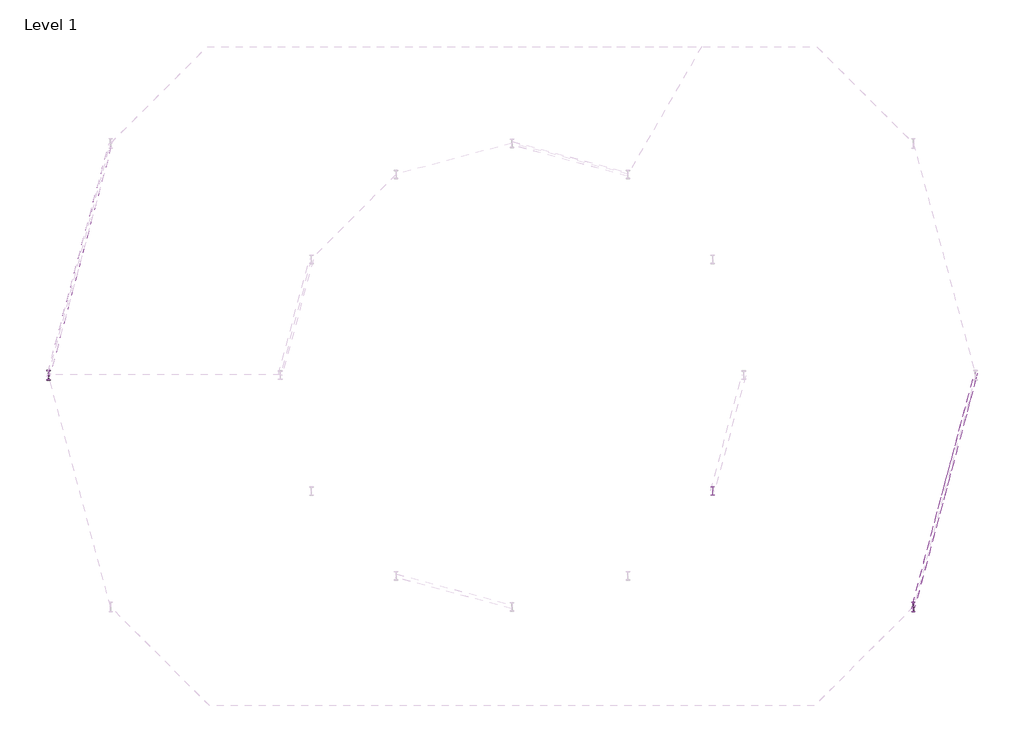
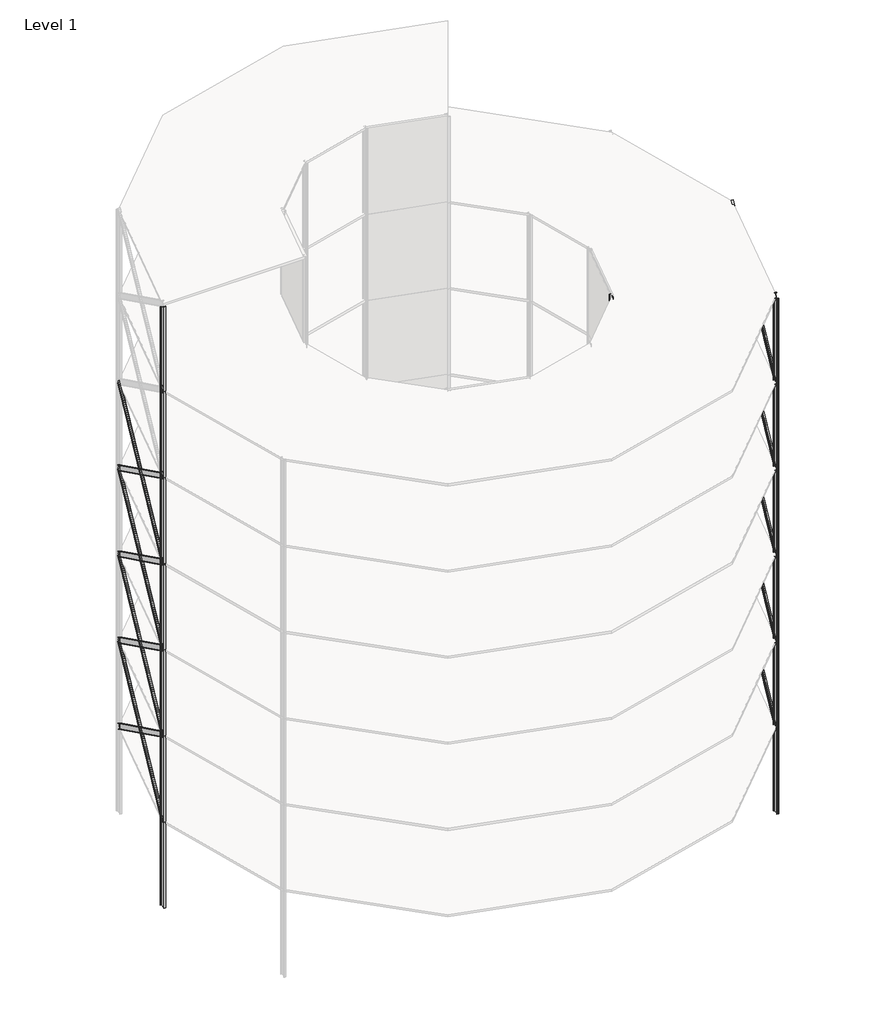
# One storey, part 4 of 9: 18 beams, 14 columns.
"""IFC4 building model written with IfcOpenShell, lengths in millimetres."""

import ifcopenshell
import ifcopenshell.guid

model = None  # the IFC model being written
_history = None  # IfcOwnerHistory: only IFC2X3 demands one
_inside = {}  # id of a spatial element -> (the spatial element, [elements in it])
_under = {}  # id of a project, library or spatial element -> (it, [spatial elements below it])
_declared = {}  # id of a project -> (the project, [libraries it declares])
_typed = {}  # id of a type object -> (the type object, [elements of that type])
_made_of = {}  # id of a material, layer set ... -> (it, [elements and type objects made of it])


def new_model(schema):
    """Start an empty IFC model of exactly this schema.

    Asked for "IFC4X3", IfcOpenShell would pick the latest addendum, in which some entities
    have other attributes; the version numbers below select the first issue.
    IFC2X3 requires an IfcOwnerHistory on every rooted entity: one is made here for all.
    """
    global model, _history
    if schema == "IFC4X3":
        model = ifcopenshell.file(schema_version=(4, 3, 0, 0))
    else:
        model = ifcopenshell.file(schema=schema)
    _inside.clear()
    _under.clear()
    _declared.clear()
    _typed.clear()
    _made_of.clear()
    _history = None
    if model.schema == "IFC2X3":
        org = make("IfcOrganization", Name="unknown")
        user = make(
            "IfcPersonAndOrganization",
            ThePerson=make("IfcPerson", FamilyName="unknown"),
            TheOrganization=org,
        )
        app = make(
            "IfcApplication",
            ApplicationDeveloper=org,
            Version="unknown",
            ApplicationFullName="unknown",
            ApplicationIdentifier="unknown",
        )
        _history = make(
            "IfcOwnerHistory",
            OwningUser=user,
            OwningApplication=app,
            ChangeAction="ADDED",
            CreationDate=0,
        )
    return model


def make(cls, **values):
    """One entity of the class cls with the attributes given. An attribute that is None is left unset."""
    return model.create_entity(
        cls, **{name: value for name, value in values.items() if value is not None}
    )


def rooted(cls, **values):
    """An entity with a GlobalId (a new one), such as an element, a storey or a relation."""
    return make(cls, GlobalId=ifcopenshell.guid.new(), OwnerHistory=_history, **values)


def si_unit(unit_type, name, prefix=None):
    """IfcSIUnit, for example si_unit("LENGTHUNIT", "METRE", prefix="MILLI")."""
    return make("IfcSIUnit", UnitType=unit_type, Prefix=prefix, Name=name)


def assignment(units):
    """IfcUnitAssignment: the units of a project."""
    return None if units is None else make("IfcUnitAssignment", Units=units)


def point(xyz):
    """IfcCartesianPoint."""
    return None if xyz is None else make("IfcCartesianPoint", Coordinates=xyz)


def direction(xyz):
    """IfcDirection."""
    return None if xyz is None else make("IfcDirection", DirectionRatios=xyz)


def frame(location, z_axis=None, x_axis=None):
    """IfcAxis2Placement3D, a coordinate frame: its origin and axes. An axis left out is left unset."""
    return make(
        "IfcAxis2Placement3D",
        Location=point(location),
        Axis=direction(z_axis),
        RefDirection=direction(x_axis),
    )


def frame_2d(location, x_axis=None):
    """IfcAxis2Placement2D, a coordinate frame in the plane: its origin and x axis."""
    return make(
        "IfcAxis2Placement2D", Location=point(location), RefDirection=direction(x_axis)
    )


def origin():
    """The frame at (0, 0, 0) with its axes left unset."""
    return frame((0.0, 0.0, 0.0))


def origin_with_axes():
    """The frame at (0, 0, 0) with the z axis (0, 0, 1) and the x axis (1, 0, 0) written out."""
    return frame((0.0, 0.0, 0.0), z_axis=(0.0, 0.0, 1.0), x_axis=(1.0, 0.0, 0.0))


def place(relative_to, where):
    """IfcLocalPlacement: puts the frame where relative to a parent placement (None: the world)."""
    return make(
        "IfcLocalPlacement", PlacementRelTo=relative_to, RelativePlacement=where
    )


def context(
    kind, dimensions, precision=None, world=None, true_north=None, identifier=None
):
    """IfcGeometricRepresentationContext, for example the 3D "Model" context."""
    return make(
        "IfcGeometricRepresentationContext",
        ContextIdentifier=identifier,
        ContextType=kind,
        CoordinateSpaceDimension=dimensions,
        Precision=precision,
        WorldCoordinateSystem=world,
        TrueNorth=true_north,
    )


def project(units=None, contexts=None):
    """IfcProject with its units and contexts."""
    return rooted(
        "IfcProject",
        Name="project",
        RepresentationContexts=contexts,
        UnitsInContext=assignment(units),
    )


def spatial(cls, under=None, at=None, **own):
    """A site, building, storey or space (cls), placed at a placement, below another one or the project."""
    s = rooted(cls, ObjectPlacement=at, **own)
    if under is not None:
        _under.setdefault(under.id(), (under, []))[1].append(s)
    return s


def polyline(points):
    """IfcPolyline through the points."""
    return make("IfcPolyline", Points=[point(p) for p in points])


def circle_curve(where, radius):
    """IfcCircle in the frame where."""
    return make("IfcCircle", Position=where, Radius=radius)


def ellipse_curve(where, semi_axis1, semi_axis2):
    """IfcEllipse in the frame where."""
    return make(
        "IfcEllipse", Position=where, SemiAxis1=semi_axis1, SemiAxis2=semi_axis2
    )


def trimmed(basis, trim1, trim2, sense, master):
    """IfcTrimmedCurve: the piece of a basis curve between two trims."""
    return make(
        "IfcTrimmedCurve",
        BasisCurve=basis,
        Trim1=trim1,
        Trim2=trim2,
        SenseAgreement=sense,
        MasterRepresentation=master,
    )


def segment(curve, same_sense, transition):
    """IfcCompositeCurveSegment."""
    return make(
        "IfcCompositeCurveSegment",
        Transition=transition,
        SameSense=same_sense,
        ParentCurve=curve,
    )


def composite_curve(segments, self_intersect=None):
    """IfcCompositeCurve: segments joined end to end."""
    return make("IfcCompositeCurve", Segments=segments, SelfIntersect=self_intersect)


def outline(outer, holes=None, kind="AREA"):
    """IfcArbitraryClosedProfileDef: a profile drawn as a closed curve; with holes, ...WithVoids."""
    if holes is None:
        return make("IfcArbitraryClosedProfileDef", ProfileType=kind, OuterCurve=outer)
    return make(
        "IfcArbitraryProfileDefWithVoids",
        ProfileType=kind,
        OuterCurve=outer,
        InnerCurves=holes,
    )


def extrude(swept, where, along, depth):
    """IfcExtrudedAreaSolid: the profile swept, set in the frame where, extruded along a direction by depth."""
    return make(
        "IfcExtrudedAreaSolid",
        SweptArea=swept,
        Position=where,
        ExtrudedDirection=direction(along),
        Depth=depth,
    )


def shape(context_of_items, identifier, shape_type, items):
    """IfcShapeRepresentation: the items that make up one representation, for example the "Body"."""
    return make(
        "IfcShapeRepresentation",
        ContextOfItems=context_of_items,
        RepresentationIdentifier=identifier,
        RepresentationType=shape_type,
        Items=items,
    )


def source(mapping_origin, context_of_items, identifier, shape_type, items):
    """IfcRepresentationMap: a shape defined once, which mapped items show again and again."""
    return make(
        "IfcRepresentationMap",
        MappingOrigin=mapping_origin,
        MappedRepresentation=shape(context_of_items, identifier, shape_type, items),
    )


def transform(
    local_origin,
    x_axis=None,
    y_axis=None,
    z_axis=None,
    scale=None,
    scale2=None,
    scale3=None,
    uniform=True,
):
    """IfcCartesianTransformationOperator3D, or its non-uniform kind. x_axis, y_axis, z_axis: its Axis1, 2, 3."""
    if uniform:
        return make(
            "IfcCartesianTransformationOperator3D",
            Axis1=direction(x_axis),
            Axis2=direction(y_axis),
            LocalOrigin=point(local_origin),
            Scale=scale,
            Axis3=direction(z_axis),
        )
    return make(
        "IfcCartesianTransformationOperator3DnonUniform",
        Axis1=direction(x_axis),
        Axis2=direction(y_axis),
        LocalOrigin=point(local_origin),
        Scale=scale,
        Axis3=direction(z_axis),
        Scale2=scale2,
        Scale3=scale3,
    )


def mapped(mapping_source, mapping_target):
    """IfcMappedItem: shows the shape of a source again, moved by a transform."""
    return make(
        "IfcMappedItem", MappingSource=mapping_source, MappingTarget=mapping_target
    )


def made_of(thing, what):
    """Note that an element or type object is made of a material, layer set ...; save() writes the relation."""
    if what is not None:
        _made_of.setdefault(what.id(), (what, []))[1].append(thing)
    return thing


def element(
    cls,
    number,
    at=None,
    inside=None,
    cuts=None,
    type_object=None,
    material=None,
    context=None,
    identifier="Body",
    shape_type=None,
    held_by="IfcProductDefinitionShape",
    body=None,
    shapes=None,
    **own,
):
    """One element of the class cls, such as IfcWall. Its Tag is "e" and its number.

    at: its placement. inside: the storey or other place that contains it. cuts: it is an
    opening in that element (IfcRelVoidsElement). A single representation is given by context,
    identifier, shape_type and body (its items); several are given by shapes. held_by: the class
    of the entity that holds the representations. save() writes the other relations.
    """
    e = rooted(cls, Tag="e%d" % number, ObjectPlacement=at, **own)
    if body is not None:
        shapes = [shape(context, identifier, shape_type, body)]
    if shapes is not None:
        e.Representation = make(held_by, Representations=shapes)
    if inside is not None:
        _inside.setdefault(inside.id(), (inside, []))[1].append(e)
    if cuts is not None:
        rooted(
            "IfcRelVoidsElement", RelatingBuildingElement=cuts, RelatedOpeningElement=e
        )
    if type_object is not None:
        _typed.setdefault(type_object.id(), (type_object, []))[1].append(e)
    return made_of(e, material)


def aggregate(whole, parts):
    """IfcRelAggregates: a whole, such as a stair, and the parts it consists of."""
    return rooted("IfcRelAggregates", RelatingObject=whole, RelatedObjects=parts)


def save(model, path):
    """Write the relations noted so far, then the file.

    IfcRelAggregates (storeys below a building ...), IfcRelContainedInSpatialStructure (elements
    in a storey), IfcRelDefinesByType, IfcRelAssociatesMaterial and IfcRelDeclares: one each for
    every whole, place, type object, material and project.
    """
    for whole, parts in _under.values():
        aggregate(whole, parts)
    for where, things in _inside.values():
        rooted(
            "IfcRelContainedInSpatialStructure",
            RelatedElements=things,
            RelatingStructure=where,
        )
    for kind, things in _typed.values():
        rooted("IfcRelDefinesByType", RelatedObjects=things, RelatingType=kind)
    for what, things in _made_of.values():
        rooted("IfcRelAssociatesMaterial", RelatedObjects=things, RelatingMaterial=what)
    for by, libraries in _declared.values():
        rooted("IfcRelDeclares", RelatingContext=by, RelatedDefinitions=libraries)
    model.write(path)


def plane_surface(at):
    """IfcPlane: the flat surface through the origin of the frame at, square to its z axis."""
    return make("IfcPlane", Position=at)


def revolved_surface(curve, axis_point, axis_direction):
    """IfcSurfaceOfRevolution: the curve turned about the line through axis_point along axis_direction."""
    return make(
        "IfcSurfaceOfRevolution",
        SweptCurve=make("IfcArbitraryOpenProfileDef", ProfileType="CURVE", Curve=curve),
        AxisPosition=make("IfcAxis1Placement", Location=point(axis_point), Axis=direction(axis_direction)),
    )


def advanced_brep(points, edges, surfaces, faces):
    """IfcAdvancedBrep: a solid bounded by faces that lie on surfaces and meet in shared edges.

    An edge is (start, end): straight between two places in points (the first is 0);
    or (start, end, curve); or (start, end, curve, False) where it runs against its curve.
    A face is (place in surfaces, loops), or (place, loops, False) where it looks against
    its surface's normal. A loop lists edges by number (the first is 1), with a minus sign
    where the edge is run from its end to its start. The first loop is the outer one.
    """
    corners = [point(p) for p in points]
    vertices = [make("IfcVertexPoint", VertexGeometry=c) for c in corners]
    made = []
    for start, end, *more in edges:
        made.append(
            make(
                "IfcEdgeCurve",
                EdgeStart=vertices[start],
                EdgeEnd=vertices[end],
                EdgeGeometry=more[0] if more else make("IfcPolyline", Points=[corners[start], corners[end]]),
                SameSense=more[1] if len(more) > 1 else True,
            )
        )
    hull = []
    for where, loops, *sense in faces:
        bounds = []
        for j, loop in enumerate(loops):
            ring = [make("IfcOrientedEdge", EdgeElement=made[abs(k) - 1], Orientation=k > 0) for k in loop]
            bounds.append(
                make(
                    "IfcFaceOuterBound" if j == 0 else "IfcFaceBound",
                    Bound=make("IfcEdgeLoop", EdgeList=ring),
                    Orientation=True,
                )
            )
        hull.append(make("IfcAdvancedFace", Bounds=bounds, FaceSurface=surfaces[where], SameSense=sense[0] if sense else True))
    return make("IfcAdvancedBrep", Outer=make("IfcClosedShell", CfsFaces=hull))


def w_shapes_w18x40_b298a058(model_context):
    return source(origin(), model_context, "Body", "SweptSolid", [
        extrude(outline(composite_curve([segment(polyline([(76.454, -213.868), (76.454, -227.33), (-76.454, -227.33), (-76.454, -213.868), (-14.224, -213.868)]), True, "CONTINUOUS"), segment(trimmed(circle_curve(frame_2d((-14.224, -203.708)), 10.16), [point((-14.224, -213.868))], [point((-4.064, -203.708))], True, "CARTESIAN"), True, "CONTINUOUS"), segment(polyline([(-4.064, -203.708), (-4.064, 203.708)]), True, "CONTINUOUS"), segment(trimmed(circle_curve(frame_2d((-14.224, 203.708)), 10.16), [point((-4.064, 203.708))], [point((-14.224, 213.868))], True, "CARTESIAN"), True, "CONTINUOUS"), segment(polyline([(-14.224, 213.868), (-76.454, 213.868), (-76.454, 227.33), (76.454, 227.33), (76.454, 213.868), (14.224, 213.868)]), True, "CONTINUOUS"), segment(trimmed(circle_curve(frame_2d((14.224, 203.708)), 10.16), [point((14.224, 213.868))], [point((4.064, 203.708))], True, "CARTESIAN"), True, "CONTINUOUS"), segment(polyline([(4.064, 203.708), (4.064, -203.708)]), True, "CONTINUOUS"), segment(trimmed(circle_curve(frame_2d((14.224, -203.708)), 10.16), [point((4.064, -203.708))], [point((14.224, -213.868))], True, "CARTESIAN"), True, "CONTINUOUS"), segment(polyline([(14.224, -213.868), (76.454, -213.868)]), True, "CONTINUOUS")], self_intersect=False)), frame((-7607.0404903, 0.0, 0.0), z_axis=(1.0, 0.0, 0.0), x_axis=(0.0, 1.0, 0.0)), (0.0, 0.0, 1.0), 15214.0809806),
    ])


model = new_model("IFC4")

# Units and contexts
model_context = context("Model", 3, world=origin())
ifc_project = project(units=[si_unit("LENGTHUNIT", "METRE", prefix="MILLI")], contexts=[model_context])

# Site, building, storey
site = spatial("IfcSite", under=ifc_project)
building = spatial("IfcBuilding", under=site)
storey = spatial("IfcBuildingStorey", under=building, Name="Level 1", Elevation=0.0)

# Beams
placement = place(None, origin())
w_shapes_w18x40_shape = w_shapes_w18x40_b298a058(model_context)
element("IfcBeam", 1, ObjectType="w shapes : W18X40", at=placement, inside=storey, context=model_context, shape_type="MappedRepresentation", body=[
    mapped(w_shapes_w18x40_shape, transform((23325.3182937, -6250.0002, 12000.000384), x_axis=(0.22014901963816547, 0.8216073265261128, 0.5258286889767125), y_axis=(-0.9659258262890686, 0.25881904510252063, 0.0), z_axis=(-0.136094479168463, -0.5079115108863286, 0.850590494802894))),
])
element("IfcBeam", 2, ObjectType="w shapes : W18X40", at=placement, inside=storey, context=model_context, shape_type="MappedRepresentation", body=[
    mapped(w_shapes_w18x40_shape, transform((23325.3182937, -6250.0002, 12000.000384), x_axis=(0.22014901963816547, 0.8216073265261128, -0.5258286889767125), y_axis=(-0.9659258262890686, 0.25881904510252063, 0.0), z_axis=(0.136094479168463, 0.5079115108863286, 0.850590494802894))),
])
element("IfcBeam", 3, ObjectType="w shapes : W18X40", at=placement, inside=storey, context=model_context, shape_type="MappedRepresentation", body=[
    mapped(w_shapes_w18x40_shape, transform((23325.3182937, -6250.0002, 20000.00064), x_axis=(0.22014901963816547, 0.8216073265261128, 0.5258286889767125), y_axis=(-0.9659258262890686, 0.25881904510252063, 0.0), z_axis=(-0.136094479168463, -0.5079115108863286, 0.850590494802894))),
])
element("IfcBeam", 4, ObjectType="w shapes : W18X40", at=placement, inside=storey, context=model_context, shape_type="MappedRepresentation", body=[
    mapped(w_shapes_w18x40_shape, transform((23325.3182937, -6250.0002, 20000.00064), x_axis=(0.22014901963816547, 0.8216073265261128, -0.5258286889767125), y_axis=(-0.9659258262890685, 0.2588190451025206, 0.0), z_axis=(0.13609447916846298, 0.5079115108863285, 0.850590494802894))),
])
element("IfcBeam", 5, ObjectType="w shapes : W18X40", at=placement, inside=storey, context=model_context, shape_type="MappedRepresentation", body=[
    mapped(w_shapes_w18x40_shape, transform((23325.3182937, -6250.0002, 28000.000896), x_axis=(0.22014901963816547, 0.8216073265261128, 0.5258286889767124), y_axis=(-0.9659258262890684, 0.2588190451025205, 0.0), z_axis=(-0.13609447916846293, -0.5079115108863285, 0.850590494802894))),
])
element("IfcBeam", 6, ObjectType="w shapes : W18X40", at=placement, inside=storey, context=model_context, shape_type="MappedRepresentation", body=[
    mapped(w_shapes_w18x40_shape, transform((23325.3182937, -6250.0002, 28000.000896), x_axis=(0.22014901963816547, 0.8216073265261128, -0.5258286889767124), y_axis=(-0.9659258262890684, 0.2588190451025205, 0.0), z_axis=(0.13609447916846293, 0.5079115108863285, 0.850590494802894))),
])
element("IfcBeam", 7, ObjectType="w shapes : W18X40", at=placement, inside=storey, context=model_context, shape_type="MappedRepresentation", body=[
    mapped(w_shapes_w18x40_shape, transform((23325.3182937, -6250.0002, 36000.001152), x_axis=(0.22014901963816547, 0.8216073265261128, 0.5258286889767124), y_axis=(-0.9659258262890684, 0.2588190451025205, 0.0), z_axis=(-0.13609447916846293, -0.5079115108863285, 0.850590494802894))),
])
element("IfcBeam", 8, ObjectType="w shapes : W18X40", at=placement, inside=storey, context=model_context, shape_type="MappedRepresentation", body=[
    mapped(w_shapes_w18x40_shape, transform((23325.3182937, -6250.0002, 36000.001152), x_axis=(0.22014901963816547, 0.8216073265261128, -0.5258286889767124), y_axis=(-0.9659258262890684, 0.2588190451025205, 0.0), z_axis=(0.13609447916846293, 0.5079115108863285, 0.850590494802894))),
])
element("IfcBeam", 9, ObjectType="w shapes : W18X40", at=placement, inside=storey, context=model_context, shape_type="MappedRepresentation", body=[
    mapped(w_shapes_w18x40_shape, transform((23325.3182937, -6250.0002, 44000.001408), x_axis=(0.22014901963816544, 0.8216073265261127, 0.5258286889767126), y_axis=(-0.9659258262890684, 0.2588190451025205, 0.0), z_axis=(-0.13609447916846298, -0.5079115108863287, 0.8505904948028937))),
])
element("IfcBeam", 10, ObjectType="w shapes : W18X40", at=placement, inside=storey, context=model_context, shape_type="MappedRepresentation", body=[
    mapped(w_shapes_w18x40_shape, transform((23325.3182937, -6250.0002, 44000.001408), x_axis=(0.22014901963816544, 0.8216073265261127, -0.5258286889767126), y_axis=(-0.9659258262890684, 0.2588190451025205, 0.0), z_axis=(0.13609447916846298, 0.5079115108863287, 0.8505904948028937))),
])
element("IfcBeam", 11, ObjectType="w shapes : W18X40", at=placement, inside=storey, context=model_context, shape_type="MappedRepresentation", body=[
    mapped(w_shapes_w18x40_shape, transform((-23325.3182937, 6250.0002, 12000.000384), x_axis=(-0.22014901963816597, -0.8216073265261127, 0.5258286889767123), y_axis=(0.9659258262890683, -0.25881904510252113, 0.0), z_axis=(0.13609447916846326, 0.5079115108863282, 0.8505904948028941))),
])
element("IfcBeam", 12, ObjectType="w shapes : W18X40", at=placement, inside=storey, context=model_context, shape_type="MappedRepresentation", body=[
    mapped(w_shapes_w18x40_shape, transform((-23325.3182937, 6250.0002, 12000.000384), x_axis=(-0.22014901963816597, -0.8216073265261127, -0.5258286889767123), y_axis=(0.9659258262890682, -0.25881904510252113, 0.0), z_axis=(-0.13609447916846326, -0.5079115108863282, 0.850590494802894))),
])
element("IfcBeam", 13, ObjectType="w shapes : W18X40", at=placement, inside=storey, context=model_context, shape_type="MappedRepresentation", body=[
    mapped(w_shapes_w18x40_shape, transform((-23325.3182937, 6250.0002, 20000.00064), x_axis=(-0.22014901963816597, -0.8216073265261127, 0.5258286889767124), y_axis=(0.9659258262890683, -0.2588190451025212, 0.0), z_axis=(0.1360944791684633, 0.5079115108863284, 0.850590494802894))),
])
element("IfcBeam", 14, ObjectType="w shapes : W18X40", at=placement, inside=storey, context=model_context, shape_type="MappedRepresentation", body=[
    mapped(w_shapes_w18x40_shape, transform((-23325.3182937, 6250.0002, 20000.00064), x_axis=(-0.22014901963816597, -0.8216073265261127, -0.5258286889767124), y_axis=(0.9659258262890683, -0.2588190451025212, 0.0), z_axis=(-0.1360944791684633, -0.5079115108863284, 0.850590494802894))),
])
element("IfcBeam", 15, ObjectType="w shapes : W18X40", at=placement, inside=storey, context=model_context, shape_type="MappedRepresentation", body=[
    mapped(w_shapes_w18x40_shape, transform((-23325.3182937, 6250.0002, 28000.000896), x_axis=(-0.22014901963816597, -0.8216073265261127, 0.5258286889767123), y_axis=(0.9659258262890682, -0.25881904510252113, 0.0), z_axis=(0.13609447916846326, 0.5079115108863282, 0.850590494802894))),
])
element("IfcBeam", 16, ObjectType="w shapes : W18X40", at=placement, inside=storey, context=model_context, shape_type="MappedRepresentation", body=[
    mapped(w_shapes_w18x40_shape, transform((-23325.3182937, 6250.0002, 28000.000896), x_axis=(-0.22014901963816597, -0.8216073265261127, -0.5258286889767123), y_axis=(0.9659258262890682, -0.25881904510252113, 0.0), z_axis=(-0.13609447916846326, -0.5079115108863282, 0.850590494802894))),
])
element("IfcBeam", 17, ObjectType="w shapes : W18X40", at=placement, inside=storey, context=model_context, shape_type="MappedRepresentation", body=[
    mapped(w_shapes_w18x40_shape, transform((-23325.3182937, 6250.0002, 36000.001152), x_axis=(-0.22014901963816597, -0.8216073265261127, 0.5258286889767123), y_axis=(0.9659258262890682, -0.25881904510252113, 0.0), z_axis=(0.13609447916846326, 0.5079115108863282, 0.850590494802894))),
])
element("IfcBeam", 18, ObjectType="w shapes : W18X40", at=placement, inside=storey, context=model_context, shape_type="MappedRepresentation", body=[
    mapped(w_shapes_w18x40_shape, transform((-23325.3182937, 6250.0002, 36000.001152), x_axis=(-0.22014901963816597, -0.8216073265261127, -0.5258286889767123), y_axis=(0.9659258262890682, -0.25881904510252113, 0.0), z_axis=(-0.13609447916846326, -0.5079115108863282, 0.850590494802894))),
])

# Columns
element("IfcColumn", 19, ObjectType="w shapes-column : W18X60", at=placement, inside=storey, context=model_context, shape_type="SweptSolid", body=[
    extrude(outline(composite_curve([segment(polyline([(10921.3298937, -6018.8602), (10921.3298937, -6036.6402), (10840.8118937, -6036.6402)]), True, "CONTINUOUS"), segment(trimmed(circle_curve(frame_2d((10840.8118937, -6046.8002)), 10.16), [point((10840.8118937, -6036.6402))], [point((10830.6518937, -6046.8002))], True, "CARTESIAN"), True, "CONTINUOUS"), segment(polyline([(10830.6518937, -6046.8002), (10830.6518937, -6453.2002)]), True, "CONTINUOUS"), segment(trimmed(circle_curve(frame_2d((10840.8118937, -6453.2002)), 10.16), [point((10830.6518937, -6453.2002))], [point((10840.8118937, -6463.3602))], True, "CARTESIAN"), True, "CONTINUOUS"), segment(polyline([(10840.8118937, -6463.3602), (10921.3298937, -6463.3602), (10921.3298937, -6481.1402), (10729.3058937, -6481.1402), (10729.3058937, -6463.3602), (10809.8238937, -6463.3602)]), True, "CONTINUOUS"), segment(trimmed(circle_curve(frame_2d((10809.8238937, -6453.2002)), 10.16), [point((10809.8238937, -6463.3602))], [point((10819.9838937, -6453.2002))], True, "CARTESIAN"), True, "CONTINUOUS"), segment(polyline([(10819.9838937, -6453.2002), (10819.9838937, -6046.8002)]), True, "CONTINUOUS"), segment(trimmed(circle_curve(frame_2d((10809.8238937, -6046.8002)), 10.16), [point((10819.9838937, -6046.8002))], [point((10809.8238937, -6036.6402))], True, "CARTESIAN"), True, "CONTINUOUS"), segment(polyline([(10809.8238937, -6036.6402), (10729.3058937, -6036.6402), (10729.3058937, -6018.8602), (10921.3298937, -6018.8602)]), True, "CONTINUOUS")], self_intersect=False)), frame((0.0, 0.0, 40000.00128), z_axis=(0.0, 0.0, 1.0), x_axis=(1.0, 0.0, 0.0)), (0.0, 0.0, 1.0), 8000.000256),
])
element("IfcColumn", 20, ObjectType="w shapes-column : W21X50", at=placement, inside=storey, context=model_context, shape_type="SweptSolid", body=[
    extrude(outline(composite_curve([segment(polyline([(-24917.0698, 264.16), (-24917.0698, 250.444), (-24982.4748, 250.444)]), True, "CONTINUOUS"), segment(trimmed(circle_curve(frame_2d((-24982.4748, 237.744)), 12.7), [point((-24982.4748, 250.444))], [point((-24995.1748, 237.744))], True, "CARTESIAN"), True, "CONTINUOUS"), segment(polyline([(-24995.1748, 237.744), (-24995.1748, -237.744)]), True, "CONTINUOUS"), segment(trimmed(circle_curve(frame_2d((-24982.4748, -237.744)), 12.7), [point((-24995.1748, -237.744))], [point((-24982.4748, -250.444))], True, "CARTESIAN"), True, "CONTINUOUS"), segment(polyline([(-24982.4748, -250.444), (-24917.0698, -250.444), (-24917.0698, -264.16), (-25082.9318, -264.16), (-25082.9318, -250.444), (-25017.5268, -250.444)]), True, "CONTINUOUS"), segment(trimmed(circle_curve(frame_2d((-25017.5268, -237.744)), 12.7), [point((-25017.5268, -250.444))], [point((-25004.8268, -237.744))], True, "CARTESIAN"), True, "CONTINUOUS"), segment(polyline([(-25004.8268, -237.744), (-25004.8268, 237.744)]), True, "CONTINUOUS"), segment(trimmed(circle_curve(frame_2d((-25017.5268, 237.744)), 12.7), [point((-25004.8268, 237.744))], [point((-25017.5268, 250.444))], True, "CARTESIAN"), True, "CONTINUOUS"), segment(polyline([(-25017.5268, 250.444), (-25082.9318, 250.444), (-25082.9318, 264.16), (-24917.0698, 264.16)]), True, "CONTINUOUS")], self_intersect=False)), origin_with_axes(), (0.0, 0.0, 1.0), 8000.000256),
])
element("IfcColumn", 21, ObjectType="w shapes-column : W21X50", at=placement, inside=storey, context=model_context, shape_type="SweptSolid", body=[
    extrude(outline(composite_curve([segment(polyline([(-24917.0698, 264.16), (-24917.0698, 250.444), (-24982.4748, 250.444)]), True, "CONTINUOUS"), segment(trimmed(circle_curve(frame_2d((-24982.4748, 237.744)), 12.7), [point((-24982.4748, 250.444))], [point((-24995.1748, 237.744))], True, "CARTESIAN"), True, "CONTINUOUS"), segment(polyline([(-24995.1748, 237.744), (-24995.1748, -237.744)]), True, "CONTINUOUS"), segment(trimmed(circle_curve(frame_2d((-24982.4748, -237.744)), 12.7), [point((-24995.1748, -237.744))], [point((-24982.4748, -250.444))], True, "CARTESIAN"), True, "CONTINUOUS"), segment(polyline([(-24982.4748, -250.444), (-24917.0698, -250.444), (-24917.0698, -264.16), (-25082.9318, -264.16), (-25082.9318, -250.444), (-25017.5268, -250.444)]), True, "CONTINUOUS"), segment(trimmed(circle_curve(frame_2d((-25017.5268, -237.744)), 12.7), [point((-25017.5268, -250.444))], [point((-25004.8268, -237.744))], True, "CARTESIAN"), True, "CONTINUOUS"), segment(polyline([(-25004.8268, -237.744), (-25004.8268, 237.744)]), True, "CONTINUOUS"), segment(trimmed(circle_curve(frame_2d((-25017.5268, 237.744)), 12.7), [point((-25004.8268, 237.744))], [point((-25017.5268, 250.444))], True, "CARTESIAN"), True, "CONTINUOUS"), segment(polyline([(-25017.5268, 250.444), (-25082.9318, 250.444), (-25082.9318, 264.16), (-24917.0698, 264.16)]), True, "CONTINUOUS")], self_intersect=False)), frame((0.0, 0.0, 8000.000256), z_axis=(0.0, 0.0, 1.0), x_axis=(1.0, 0.0, 0.0)), (0.0, 0.0, 1.0), 8000.000256),
])
element("IfcColumn", 22, ObjectType="w shapes-column : W21X50", at=placement, inside=storey, context=model_context, shape_type="SweptSolid", body=[
    extrude(outline(composite_curve([segment(polyline([(-24917.0698, 264.16), (-24917.0698, 250.444), (-24982.4748, 250.444)]), True, "CONTINUOUS"), segment(trimmed(circle_curve(frame_2d((-24982.4748, 237.744)), 12.7), [point((-24982.4748, 250.444))], [point((-24995.1748, 237.744))], True, "CARTESIAN"), True, "CONTINUOUS"), segment(polyline([(-24995.1748, 237.744), (-24995.1748, -237.744)]), True, "CONTINUOUS"), segment(trimmed(circle_curve(frame_2d((-24982.4748, -237.744)), 12.7), [point((-24995.1748, -237.744))], [point((-24982.4748, -250.444))], True, "CARTESIAN"), True, "CONTINUOUS"), segment(polyline([(-24982.4748, -250.444), (-24917.0698, -250.444), (-24917.0698, -264.16), (-25082.9318, -264.16), (-25082.9318, -250.444), (-25017.5268, -250.444)]), True, "CONTINUOUS"), segment(trimmed(circle_curve(frame_2d((-25017.5268, -237.744)), 12.7), [point((-25017.5268, -250.444))], [point((-25004.8268, -237.744))], True, "CARTESIAN"), True, "CONTINUOUS"), segment(polyline([(-25004.8268, -237.744), (-25004.8268, 237.744)]), True, "CONTINUOUS"), segment(trimmed(circle_curve(frame_2d((-25017.5268, 237.744)), 12.7), [point((-25004.8268, 237.744))], [point((-25017.5268, 250.444))], True, "CARTESIAN"), True, "CONTINUOUS"), segment(polyline([(-25017.5268, 250.444), (-25082.9318, 250.444), (-25082.9318, 264.16), (-24917.0698, 264.16)]), True, "CONTINUOUS")], self_intersect=False)), frame((0.0, 0.0, 16000.000512), z_axis=(0.0, 0.0, 1.0), x_axis=(1.0, 0.0, 0.0)), (0.0, 0.0, 1.0), 8000.000256),
])
element("IfcColumn", 23, ObjectType="w shapes-column : W21X50", at=placement, inside=storey, context=model_context, shape_type="SweptSolid", body=[
    extrude(outline(composite_curve([segment(polyline([(-24917.0698, 264.16), (-24917.0698, 250.444), (-24982.4748, 250.444)]), True, "CONTINUOUS"), segment(trimmed(circle_curve(frame_2d((-24982.4748, 237.744)), 12.7), [point((-24982.4748, 250.444))], [point((-24995.1748, 237.744))], True, "CARTESIAN"), True, "CONTINUOUS"), segment(polyline([(-24995.1748, 237.744), (-24995.1748, -237.744)]), True, "CONTINUOUS"), segment(trimmed(circle_curve(frame_2d((-24982.4748, -237.744)), 12.7), [point((-24995.1748, -237.744))], [point((-24982.4748, -250.444))], True, "CARTESIAN"), True, "CONTINUOUS"), segment(polyline([(-24982.4748, -250.444), (-24917.0698, -250.444), (-24917.0698, -264.16), (-25082.9318, -264.16), (-25082.9318, -250.444), (-25017.5268, -250.444)]), True, "CONTINUOUS"), segment(trimmed(circle_curve(frame_2d((-25017.5268, -237.744)), 12.7), [point((-25017.5268, -250.444))], [point((-25004.8268, -237.744))], True, "CARTESIAN"), True, "CONTINUOUS"), segment(polyline([(-25004.8268, -237.744), (-25004.8268, 237.744)]), True, "CONTINUOUS"), segment(trimmed(circle_curve(frame_2d((-25017.5268, 237.744)), 12.7), [point((-25004.8268, 237.744))], [point((-25017.5268, 250.444))], True, "CARTESIAN"), True, "CONTINUOUS"), segment(polyline([(-25017.5268, 250.444), (-25082.9318, 250.444), (-25082.9318, 264.16), (-24917.0698, 264.16)]), True, "CONTINUOUS")], self_intersect=False)), frame((0.0, 0.0, 24000.000768), z_axis=(0.0, 0.0, 1.0), x_axis=(1.0, 0.0, 0.0)), (0.0, 0.0, 1.0), 8000.000256),
])
element("IfcColumn", 24, ObjectType="w shapes-column : W21X50", at=placement, inside=storey, context=model_context, shape_type="SweptSolid", body=[
    extrude(outline(composite_curve([segment(polyline([(-24917.0698, 264.16), (-24917.0698, 250.444), (-24982.4748, 250.444)]), True, "CONTINUOUS"), segment(trimmed(circle_curve(frame_2d((-24982.4748, 237.744)), 12.7), [point((-24982.4748, 250.444))], [point((-24995.1748, 237.744))], True, "CARTESIAN"), True, "CONTINUOUS"), segment(polyline([(-24995.1748, 237.744), (-24995.1748, -237.744)]), True, "CONTINUOUS"), segment(trimmed(circle_curve(frame_2d((-24982.4748, -237.744)), 12.7), [point((-24995.1748, -237.744))], [point((-24982.4748, -250.444))], True, "CARTESIAN"), True, "CONTINUOUS"), segment(polyline([(-24982.4748, -250.444), (-24917.0698, -250.444), (-24917.0698, -264.16), (-25082.9318, -264.16), (-25082.9318, -250.444), (-25017.5268, -250.444)]), True, "CONTINUOUS"), segment(trimmed(circle_curve(frame_2d((-25017.5268, -237.744)), 12.7), [point((-25017.5268, -250.444))], [point((-25004.8268, -237.744))], True, "CARTESIAN"), True, "CONTINUOUS"), segment(polyline([(-25004.8268, -237.744), (-25004.8268, 237.744)]), True, "CONTINUOUS"), segment(trimmed(circle_curve(frame_2d((-25017.5268, 237.744)), 12.7), [point((-25004.8268, 237.744))], [point((-25017.5268, 250.444))], True, "CARTESIAN"), True, "CONTINUOUS"), segment(polyline([(-25017.5268, 250.444), (-25082.9318, 250.444), (-25082.9318, 264.16), (-24917.0698, 264.16)]), True, "CONTINUOUS")], self_intersect=False)), frame((0.0, 0.0, 32000.001024), z_axis=(0.0, 0.0, 1.0), x_axis=(1.0, 0.0, 0.0)), (0.0, 0.0, 1.0), 8000.000256),
])
element("IfcColumn", 25, ObjectType="w shapes-column : W21X50", at=placement, inside=storey, context=model_context, shape_type="SweptSolid", body=[
    extrude(outline(composite_curve([segment(polyline([(-24917.0698, 264.16), (-24917.0698, 250.444), (-24982.4748, 250.444)]), True, "CONTINUOUS"), segment(trimmed(circle_curve(frame_2d((-24982.4748, 237.744)), 12.7), [point((-24982.4748, 250.444))], [point((-24995.1748, 237.744))], True, "CARTESIAN"), True, "CONTINUOUS"), segment(polyline([(-24995.1748, 237.744), (-24995.1748, -237.744)]), True, "CONTINUOUS"), segment(trimmed(circle_curve(frame_2d((-24982.4748, -237.744)), 12.7), [point((-24995.1748, -237.744))], [point((-24982.4748, -250.444))], True, "CARTESIAN"), True, "CONTINUOUS"), segment(polyline([(-24982.4748, -250.444), (-24917.0698, -250.444), (-24917.0698, -264.16), (-25082.9318, -264.16), (-25082.9318, -250.444), (-25017.5268, -250.444)]), True, "CONTINUOUS"), segment(trimmed(circle_curve(frame_2d((-25017.5268, -237.744)), 12.7), [point((-25017.5268, -250.444))], [point((-25004.8268, -237.744))], True, "CARTESIAN"), True, "CONTINUOUS"), segment(polyline([(-25004.8268, -237.744), (-25004.8268, 237.744)]), True, "CONTINUOUS"), segment(trimmed(circle_curve(frame_2d((-25017.5268, 237.744)), 12.7), [point((-25004.8268, 237.744))], [point((-25017.5268, 250.444))], True, "CARTESIAN"), True, "CONTINUOUS"), segment(polyline([(-25017.5268, 250.444), (-25082.9318, 250.444), (-25082.9318, 264.16), (-24917.0698, 264.16)]), True, "CONTINUOUS")], self_intersect=False)), frame((0.0, 0.0, 40000.00128), z_axis=(0.0, 0.0, 1.0), x_axis=(1.0, 0.0, 0.0)), (0.0, 0.0, 1.0), 8000.000256),
])
element("IfcColumn", 26, ObjectType="w shapes-column : W21X50", at=placement, inside=storey, context=model_context, shape_type="AdvancedBrep", body=[
    advanced_brep(
    [(-24917.0698, 250.444, 55554.9934784), (-24917.0698, 264.16, 55546.8032689), (-25082.9318, 264.16, 55573.3411889), (-25082.9318, 250.444, 55581.5313984), (-25017.5268, 250.444, 55571.0665984), (-25004.8268, 237.744, 55576.6181256), (-25004.8268, -237.744, 55860.5453855), (-25017.5268, -250.444, 55870.1609128), (-25082.9318, -250.444, 55880.6257128), (-25082.9318, -264.16, 55888.8159222), (-24917.0698, -264.16, 55862.2780022), (-24917.0698, -250.444, 55854.0877928), (-24982.4748, -250.444, 55864.5525928), (-24995.1748, -237.744, 55859.0010655), (-24995.1748, 237.744, 55575.0738056), (-24982.4748, 250.444, 55565.4582784), (-24917.0698, 264.16, 48000.001536), (-24917.0698, 250.444, 48000.001536), (-24982.4748, 250.444, 48000.001536), (-24995.1748, 237.744, 48000.001536), (-24995.1748, -237.744, 48000.001536), (-24982.4748, -250.444, 48000.001536), (-24917.0698, -250.444, 48000.001536), (-24917.0698, -264.16, 48000.001536), (-25082.9318, -264.16, 48000.001536), (-25082.9318, -250.444, 48000.001536), (-25017.5268, -250.444, 48000.001536), (-25004.8268, -237.744, 48000.001536), (-25004.8268, 237.744, 48000.001536), (-25017.5268, 250.444, 48000.001536), (-25082.9318, 250.444, 48000.001536), (-25082.9318, 264.16, 48000.001536)],
    [
        (0, 1),
        (1, 2),
        (2, 3),
        (3, 4),
        (4, 5, ellipse_curve(frame((-25017.5268, 237.744, 55578.6501256), z_axis=(-0.13609447916846326, -0.5079115108863285, -0.8505904948028937), x_axis=(0.2201490196381658, 0.8216073265261123, -0.5258286889767128)), 14.930804, 12.7)),
        (5, 6),
        (6, 7, ellipse_curve(frame((-25017.5268, -237.744, 55862.5773855), z_axis=(-0.13609447916846326, -0.5079115108863285, -0.8505904948028937), x_axis=(0.2201490196381658, 0.8216073265261123, -0.5258286889767128)), 14.930804, 12.7)),
        (7, 8),
        (8, 9),
        (9, 10),
        (10, 11),
        (11, 12),
        (12, 13, ellipse_curve(frame((-24982.4748, -237.744, 55856.9690655), z_axis=(-0.13609447916846326, -0.5079115108863285, -0.8505904948028937), x_axis=(0.2201490196381658, 0.8216073265261123, -0.5258286889767128)), 14.930804, 12.7)),
        (13, 14),
        (14, 15, ellipse_curve(frame((-24982.4748, 237.744, 55573.0418056), z_axis=(-0.13609447916846326, -0.5079115108863285, -0.8505904948028937), x_axis=(0.2201490196381658, 0.8216073265261123, -0.5258286889767128)), 14.930804, 12.7)),
        (15, 0),
        (16, 17),
        (17, 18),
        (18, 19, circle_curve(frame((-24982.4748, 237.744, 48000.001536), z_axis=(0.0, 0.0, 1.0), x_axis=(1.0, 0.0, 0.0)), 12.7)),
        (19, 20),
        (20, 21, circle_curve(frame((-24982.4748, -237.744, 48000.001536), z_axis=(0.0, 0.0, 1.0), x_axis=(1.0, 0.0, 0.0)), 12.7)),
        (21, 22),
        (22, 23),
        (23, 24),
        (24, 25),
        (25, 26),
        (26, 27, circle_curve(frame((-25017.5268, -237.744, 48000.001536), z_axis=(0.0, 0.0, 1.0), x_axis=(1.0, 0.0, 0.0)), 12.7)),
        (27, 28),
        (28, 29, circle_curve(frame((-25017.5268, 237.744, 48000.001536), z_axis=(0.0, 0.0, 1.0), x_axis=(1.0, 0.0, 0.0)), 12.7)),
        (29, 30),
        (30, 31),
        (31, 16),
        (0, 17),
        (16, 1),
        (15, 18),
        (14, 19),
        (13, 20),
        (12, 21),
        (11, 22),
        (10, 23),
        (9, 24),
        (8, 25),
        (7, 26),
        (6, 27),
        (5, 28),
        (4, 29),
        (3, 30),
        (2, 31),
    ],
    [
        plane_surface(frame((-25001.7291999, -6.4504762, 55721.9379003), z_axis=(0.1360944791684633, 0.5079115108863286, 0.850590494802894), x_axis=(0.9906958628862164, -0.06977313131838643, -0.11684783868845196))),
        plane_surface(frame((-25082.9318, 264.16, 48000.001536), z_axis=(0.0, 0.0, -1.0), x_axis=(1.0, 0.0, 0.0))),
        plane_surface(frame((-24917.0698, 250.444, 56368.8206637), z_axis=(1.0, 0.0, 0.0), x_axis=(0.0, 0.0, -1.0))),
        plane_surface(frame((-24982.4748, 250.444, 56368.8206637), z_axis=(0.0, -1.0, 0.0), x_axis=(0.0, 0.0, -1.0))),
        revolved_surface(polyline([(-24969.7748, 237.744, 48000.001536), (-24969.7748, 237.744, 55580.89285069269)]), (-24982.4748, 237.744, 48000.001536), (0.0, 0.0, -1.0)),
        plane_surface(frame((-24995.1748, -237.744, 56368.8206637), z_axis=(1.0, 0.0, 0.0), x_axis=(0.0, 0.0, -1.0))),
        revolved_surface(polyline([(-24969.7748, -237.744, 48000.001536), (-24969.7748, -237.744, 55864.820110592686)]), (-24982.4748, -237.744, 48000.001536), (0.0, 0.0, -1.0)),
        plane_surface(frame((-24917.0698, -250.444, 56368.8206637), z_axis=(0.0, 1.0, 0.0), x_axis=(0.0, 0.0, -1.0))),
        plane_surface(frame((-24917.0698, -264.16, 56368.8206637), z_axis=(1.0, 0.0, 0.0), x_axis=(0.0, 0.0, -1.0))),
        plane_surface(frame((-25082.9318, -264.16, 56368.8206637), z_axis=(0.0, -1.0, 0.0), x_axis=(0.0, 0.0, -1.0))),
        plane_surface(frame((-25082.9318, -250.444, 56368.8206637), z_axis=(-1.0, 0.0, 0.0), x_axis=(0.0, 0.0, -1.0))),
        plane_surface(frame((-25017.5268, -250.444, 56368.8206637), z_axis=(0.0, 1.0, 0.0), x_axis=(0.0, 0.0, -1.0))),
        revolved_surface(polyline([(-25004.8268, -237.744, 48000.001536), (-25004.8268, -237.744, 55870.428430592685)]), (-25017.5268, -237.744, 48000.001536), (0.0, 0.0, -1.0)),
        plane_surface(frame((-25004.8268, 237.744, 56368.8206637), z_axis=(-1.0, 0.0, 0.0), x_axis=(0.0, 0.0, -1.0))),
        revolved_surface(polyline([(-25004.8268, 237.744, 48000.001536), (-25004.8268, 237.744, 55586.50117069269)]), (-25017.5268, 237.744, 48000.001536), (0.0, 0.0, -1.0)),
        plane_surface(frame((-25082.9318, 250.444, 56368.8206637), z_axis=(0.0, -1.0, 0.0), x_axis=(0.0, 0.0, -1.0))),
        plane_surface(frame((-25082.9318, 264.16, 56368.8206637), z_axis=(-1.0, 0.0, 0.0), x_axis=(0.0, 0.0, -1.0))),
        plane_surface(frame((-24917.0698, 264.16, 56368.8206637), z_axis=(0.0, 1.0, 0.0), x_axis=(0.0, 0.0, -1.0))),
    ],
    [
        (0, [[1, 2, 3, 4, 5, 6, 7, 8, 9, 10, 11, 12, 13, 14, 15, 16]]),
        (1, [[17, 18, 19, 20, 21, 22, 23, 24, 25, 26, 27, 28, 29, 30, 31, 32]]),
        (2, [[33, -17, 34, -1]]),
        (3, [[35, -18, -33, -16]]),
        (4, [[36, -19, -35, -15]]),
        (5, [[37, -20, -36, -14]]),
        (6, [[38, -21, -37, -13]]),
        (7, [[39, -22, -38, -12]]),
        (8, [[40, -23, -39, -11]]),
        (9, [[41, -24, -40, -10]]),
        (10, [[42, -25, -41, -9]]),
        (11, [[43, -26, -42, -8]]),
        (12, [[44, -27, -43, -7]]),
        (13, [[45, -28, -44, -6]]),
        (14, [[46, -29, -45, -5]]),
        (15, [[47, -30, -46, -4]]),
        (16, [[48, -31, -47, -3]]),
        (17, [[-34, -32, -48, -2]]),
    ],
),
])
element("IfcColumn", 27, ObjectType="w shapes-column : W21X50", at=placement, inside=storey, context=model_context, shape_type="SweptSolid", body=[
    extrude(outline(composite_curve([segment(polyline([(21733.5667874, -12235.8404), (21733.5667874, -12249.5564), (21668.1617874, -12249.5564)]), True, "CONTINUOUS"), segment(trimmed(circle_curve(frame_2d((21668.1617874, -12262.2564)), 12.7), [point((21668.1617874, -12249.5564))], [point((21655.4617874, -12262.2564))], True, "CARTESIAN"), True, "CONTINUOUS"), segment(polyline([(21655.4617874, -12262.2564), (21655.4617874, -12737.7444)]), True, "CONTINUOUS"), segment(trimmed(circle_curve(frame_2d((21668.1617874, -12737.7444)), 12.7), [point((21655.4617874, -12737.7444))], [point((21668.1617874, -12750.4444))], True, "CARTESIAN"), True, "CONTINUOUS"), segment(polyline([(21668.1617874, -12750.4444), (21733.5667874, -12750.4444), (21733.5667874, -12764.1604), (21567.7047874, -12764.1604), (21567.7047874, -12750.4444), (21633.1097874, -12750.4444)]), True, "CONTINUOUS"), segment(trimmed(circle_curve(frame_2d((21633.1097874, -12737.7444)), 12.7), [point((21633.1097874, -12750.4444))], [point((21645.8097874, -12737.7444))], True, "CARTESIAN"), True, "CONTINUOUS"), segment(polyline([(21645.8097874, -12737.7444), (21645.8097874, -12262.2564)]), True, "CONTINUOUS"), segment(trimmed(circle_curve(frame_2d((21633.1097874, -12262.2564)), 12.7), [point((21645.8097874, -12262.2564))], [point((21633.1097874, -12249.5564))], True, "CARTESIAN"), True, "CONTINUOUS"), segment(polyline([(21633.1097874, -12249.5564), (21567.7047874, -12249.5564), (21567.7047874, -12235.8404), (21733.5667874, -12235.8404)]), True, "CONTINUOUS")], self_intersect=False)), origin_with_axes(), (0.0, 0.0, 1.0), 8000.000256),
])
element("IfcColumn", 28, ObjectType="w shapes-column : W21X50", at=placement, inside=storey, context=model_context, shape_type="SweptSolid", body=[
    extrude(outline(composite_curve([segment(polyline([(21733.5667874, -12235.8404), (21733.5667874, -12249.5564), (21668.1617874, -12249.5564)]), True, "CONTINUOUS"), segment(trimmed(circle_curve(frame_2d((21668.1617874, -12262.2564)), 12.7), [point((21668.1617874, -12249.5564))], [point((21655.4617874, -12262.2564))], True, "CARTESIAN"), True, "CONTINUOUS"), segment(polyline([(21655.4617874, -12262.2564), (21655.4617874, -12737.7444)]), True, "CONTINUOUS"), segment(trimmed(circle_curve(frame_2d((21668.1617874, -12737.7444)), 12.7), [point((21655.4617874, -12737.7444))], [point((21668.1617874, -12750.4444))], True, "CARTESIAN"), True, "CONTINUOUS"), segment(polyline([(21668.1617874, -12750.4444), (21733.5667874, -12750.4444), (21733.5667874, -12764.1604), (21567.7047874, -12764.1604), (21567.7047874, -12750.4444), (21633.1097874, -12750.4444)]), True, "CONTINUOUS"), segment(trimmed(circle_curve(frame_2d((21633.1097874, -12737.7444)), 12.7), [point((21633.1097874, -12750.4444))], [point((21645.8097874, -12737.7444))], True, "CARTESIAN"), True, "CONTINUOUS"), segment(polyline([(21645.8097874, -12737.7444), (21645.8097874, -12262.2564)]), True, "CONTINUOUS"), segment(trimmed(circle_curve(frame_2d((21633.1097874, -12262.2564)), 12.7), [point((21645.8097874, -12262.2564))], [point((21633.1097874, -12249.5564))], True, "CARTESIAN"), True, "CONTINUOUS"), segment(polyline([(21633.1097874, -12249.5564), (21567.7047874, -12249.5564), (21567.7047874, -12235.8404), (21733.5667874, -12235.8404)]), True, "CONTINUOUS")], self_intersect=False)), frame((0.0, 0.0, 8000.000256), z_axis=(0.0, 0.0, 1.0), x_axis=(1.0, 0.0, 0.0)), (0.0, 0.0, 1.0), 8000.000256),
])
element("IfcColumn", 29, ObjectType="w shapes-column : W21X50", at=placement, inside=storey, context=model_context, shape_type="SweptSolid", body=[
    extrude(outline(composite_curve([segment(polyline([(21733.5667874, -12235.8404), (21733.5667874, -12249.5564), (21668.1617874, -12249.5564)]), True, "CONTINUOUS"), segment(trimmed(circle_curve(frame_2d((21668.1617874, -12262.2564)), 12.7), [point((21668.1617874, -12249.5564))], [point((21655.4617874, -12262.2564))], True, "CARTESIAN"), True, "CONTINUOUS"), segment(polyline([(21655.4617874, -12262.2564), (21655.4617874, -12737.7444)]), True, "CONTINUOUS"), segment(trimmed(circle_curve(frame_2d((21668.1617874, -12737.7444)), 12.7), [point((21655.4617874, -12737.7444))], [point((21668.1617874, -12750.4444))], True, "CARTESIAN"), True, "CONTINUOUS"), segment(polyline([(21668.1617874, -12750.4444), (21733.5667874, -12750.4444), (21733.5667874, -12764.1604), (21567.7047874, -12764.1604), (21567.7047874, -12750.4444), (21633.1097874, -12750.4444)]), True, "CONTINUOUS"), segment(trimmed(circle_curve(frame_2d((21633.1097874, -12737.7444)), 12.7), [point((21633.1097874, -12750.4444))], [point((21645.8097874, -12737.7444))], True, "CARTESIAN"), True, "CONTINUOUS"), segment(polyline([(21645.8097874, -12737.7444), (21645.8097874, -12262.2564)]), True, "CONTINUOUS"), segment(trimmed(circle_curve(frame_2d((21633.1097874, -12262.2564)), 12.7), [point((21645.8097874, -12262.2564))], [point((21633.1097874, -12249.5564))], True, "CARTESIAN"), True, "CONTINUOUS"), segment(polyline([(21633.1097874, -12249.5564), (21567.7047874, -12249.5564), (21567.7047874, -12235.8404), (21733.5667874, -12235.8404)]), True, "CONTINUOUS")], self_intersect=False)), frame((0.0, 0.0, 16000.000512), z_axis=(0.0, 0.0, 1.0), x_axis=(1.0, 0.0, 0.0)), (0.0, 0.0, 1.0), 8000.000256),
])
element("IfcColumn", 30, ObjectType="w shapes-column : W21X50", at=placement, inside=storey, context=model_context, shape_type="SweptSolid", body=[
    extrude(outline(composite_curve([segment(polyline([(21733.5667874, -12235.8404), (21733.5667874, -12249.5564), (21668.1617874, -12249.5564)]), True, "CONTINUOUS"), segment(trimmed(circle_curve(frame_2d((21668.1617874, -12262.2564)), 12.7), [point((21668.1617874, -12249.5564))], [point((21655.4617874, -12262.2564))], True, "CARTESIAN"), True, "CONTINUOUS"), segment(polyline([(21655.4617874, -12262.2564), (21655.4617874, -12737.7444)]), True, "CONTINUOUS"), segment(trimmed(circle_curve(frame_2d((21668.1617874, -12737.7444)), 12.7), [point((21655.4617874, -12737.7444))], [point((21668.1617874, -12750.4444))], True, "CARTESIAN"), True, "CONTINUOUS"), segment(polyline([(21668.1617874, -12750.4444), (21733.5667874, -12750.4444), (21733.5667874, -12764.1604), (21567.7047874, -12764.1604), (21567.7047874, -12750.4444), (21633.1097874, -12750.4444)]), True, "CONTINUOUS"), segment(trimmed(circle_curve(frame_2d((21633.1097874, -12737.7444)), 12.7), [point((21633.1097874, -12750.4444))], [point((21645.8097874, -12737.7444))], True, "CARTESIAN"), True, "CONTINUOUS"), segment(polyline([(21645.8097874, -12737.7444), (21645.8097874, -12262.2564)]), True, "CONTINUOUS"), segment(trimmed(circle_curve(frame_2d((21633.1097874, -12262.2564)), 12.7), [point((21645.8097874, -12262.2564))], [point((21633.1097874, -12249.5564))], True, "CARTESIAN"), True, "CONTINUOUS"), segment(polyline([(21633.1097874, -12249.5564), (21567.7047874, -12249.5564), (21567.7047874, -12235.8404), (21733.5667874, -12235.8404)]), True, "CONTINUOUS")], self_intersect=False)), frame((0.0, 0.0, 24000.000768), z_axis=(0.0, 0.0, 1.0), x_axis=(1.0, 0.0, 0.0)), (0.0, 0.0, 1.0), 8000.000256),
])
element("IfcColumn", 31, ObjectType="w shapes-column : W21X50", at=placement, inside=storey, context=model_context, shape_type="SweptSolid", body=[
    extrude(outline(composite_curve([segment(polyline([(21733.5667874, -12235.8404), (21733.5667874, -12249.5564), (21668.1617874, -12249.5564)]), True, "CONTINUOUS"), segment(trimmed(circle_curve(frame_2d((21668.1617874, -12262.2564)), 12.7), [point((21668.1617874, -12249.5564))], [point((21655.4617874, -12262.2564))], True, "CARTESIAN"), True, "CONTINUOUS"), segment(polyline([(21655.4617874, -12262.2564), (21655.4617874, -12737.7444)]), True, "CONTINUOUS"), segment(trimmed(circle_curve(frame_2d((21668.1617874, -12737.7444)), 12.7), [point((21655.4617874, -12737.7444))], [point((21668.1617874, -12750.4444))], True, "CARTESIAN"), True, "CONTINUOUS"), segment(polyline([(21668.1617874, -12750.4444), (21733.5667874, -12750.4444), (21733.5667874, -12764.1604), (21567.7047874, -12764.1604), (21567.7047874, -12750.4444), (21633.1097874, -12750.4444)]), True, "CONTINUOUS"), segment(trimmed(circle_curve(frame_2d((21633.1097874, -12737.7444)), 12.7), [point((21633.1097874, -12750.4444))], [point((21645.8097874, -12737.7444))], True, "CARTESIAN"), True, "CONTINUOUS"), segment(polyline([(21645.8097874, -12737.7444), (21645.8097874, -12262.2564)]), True, "CONTINUOUS"), segment(trimmed(circle_curve(frame_2d((21633.1097874, -12262.2564)), 12.7), [point((21645.8097874, -12262.2564))], [point((21633.1097874, -12249.5564))], True, "CARTESIAN"), True, "CONTINUOUS"), segment(polyline([(21633.1097874, -12249.5564), (21567.7047874, -12249.5564), (21567.7047874, -12235.8404), (21733.5667874, -12235.8404)]), True, "CONTINUOUS")], self_intersect=False)), frame((0.0, 0.0, 32000.001024), z_axis=(0.0, 0.0, 1.0), x_axis=(1.0, 0.0, 0.0)), (0.0, 0.0, 1.0), 8000.000256),
])
element("IfcColumn", 32, ObjectType="w shapes-column : W21X50", at=placement, inside=storey, context=model_context, shape_type="AdvancedBrep", body=[
    advanced_brep(
    [(21733.5667874, -12249.5564, 47554.9932224), (21733.5667874, -12235.8404, 47546.8030129), (21567.7047874, -12235.8404, 47573.3409329), (21567.7047874, -12249.5564, 47581.5311424), (21633.1097874, -12249.5564, 47571.0663424), (21645.8097874, -12262.2564, 47576.6178696), (21645.8097874, -12737.7444, 47860.5451295), (21633.1097874, -12750.4444, 47870.1606568), (21567.7047874, -12750.4444, 47880.6254568), (21567.7047874, -12764.1604, 47888.8156662), (21733.5667874, -12764.1604, 47862.2777462), (21733.5667874, -12750.4444, 47854.0875368), (21668.1617874, -12750.4444, 47864.5523368), (21655.4617874, -12737.7444, 47859.0008095), (21655.4617874, -12262.2564, 47575.0735496), (21668.1617874, -12249.5564, 47565.4580224), (21733.5667874, -12235.8404, 40000.00128), (21733.5667874, -12249.5564, 40000.00128), (21668.1617874, -12249.5564, 40000.00128), (21655.4617874, -12262.2564, 40000.00128), (21655.4617874, -12737.7444, 40000.00128), (21668.1617874, -12750.4444, 40000.00128), (21733.5667874, -12750.4444, 40000.00128), (21733.5667874, -12764.1604, 40000.00128), (21567.7047874, -12764.1604, 40000.00128), (21567.7047874, -12750.4444, 40000.00128), (21633.1097874, -12750.4444, 40000.00128), (21645.8097874, -12737.7444, 40000.00128), (21645.8097874, -12262.2564, 40000.00128), (21633.1097874, -12249.5564, 40000.00128), (21567.7047874, -12249.5564, 40000.00128), (21567.7047874, -12235.8404, 40000.00128)],
    [
        (0, 1),
        (1, 2),
        (2, 3),
        (3, 4),
        (4, 5, ellipse_curve(frame((21633.1097874, -12262.2564, 47578.6498696), z_axis=(-0.13609447916846298, -0.5079115108863286, -0.8505904948028937), x_axis=(0.22014901963816533, 0.8216073265261125, -0.5258286889767128)), 14.930804, 12.7)),
        (5, 6),
        (6, 7, ellipse_curve(frame((21633.1097874, -12737.7444, 47862.5771295), z_axis=(-0.13609447916846298, -0.5079115108863286, -0.8505904948028937), x_axis=(0.22014901963816533, 0.8216073265261125, -0.5258286889767128)), 14.930804, 12.7)),
        (7, 8),
        (8, 9),
        (9, 10),
        (10, 11),
        (11, 12),
        (12, 13, ellipse_curve(frame((21668.1617874, -12737.7444, 47856.9688095), z_axis=(-0.13609447916846298, -0.5079115108863286, -0.8505904948028937), x_axis=(0.22014901963816533, 0.8216073265261125, -0.5258286889767128)), 14.930804, 12.7)),
        (13, 14),
        (14, 15, ellipse_curve(frame((21668.1617874, -12262.2564, 47573.0415496), z_axis=(-0.13609447916846298, -0.5079115108863286, -0.8505904948028937), x_axis=(0.22014901963816533, 0.8216073265261125, -0.5258286889767128)), 14.930804, 12.7)),
        (15, 0),
        (16, 17),
        (17, 18),
        (18, 19, circle_curve(frame((21668.1617874, -12262.2564, 40000.00128), z_axis=(0.0, 0.0, 1.0), x_axis=(1.0, 0.0, 0.0)), 12.7)),
        (19, 20),
        (20, 21, circle_curve(frame((21668.1617874, -12737.7444, 40000.00128), z_axis=(0.0, 0.0, 1.0), x_axis=(1.0, 0.0, 0.0)), 12.7)),
        (21, 22),
        (22, 23),
        (23, 24),
        (24, 25),
        (25, 26),
        (26, 27, circle_curve(frame((21633.1097874, -12737.7444, 40000.00128), z_axis=(0.0, 0.0, 1.0), x_axis=(1.0, 0.0, 0.0)), 12.7)),
        (27, 28),
        (28, 29, circle_curve(frame((21633.1097874, -12262.2564, 40000.00128), z_axis=(0.0, 0.0, 1.0), x_axis=(1.0, 0.0, 0.0)), 12.7)),
        (29, 30),
        (30, 31),
        (31, 16),
        (0, 17),
        (16, 1),
        (15, 18),
        (14, 19),
        (13, 20),
        (12, 21),
        (11, 22),
        (10, 23),
        (9, 24),
        (8, 25),
        (7, 26),
        (6, 27),
        (5, 28),
        (4, 29),
        (3, 30),
        (2, 31),
    ],
    [
        plane_surface(frame((21648.9073875, -12506.4508762, 47721.9376443), z_axis=(0.136094479168463, 0.5079115108863287, 0.850590494802894), x_axis=(0.9906958628862165, -0.06977313131838632, -0.11684783868845171))),
        plane_surface(frame((21567.7047874, -12235.8404, 40000.00128), z_axis=(0.0, 0.0, -1.0), x_axis=(1.0, 0.0, 0.0))),
        plane_surface(frame((21733.5667874, -12249.5564, 48368.8204077), z_axis=(1.0, 0.0, 0.0), x_axis=(0.0, 0.0, -1.0))),
        plane_surface(frame((21668.1617874, -12249.5564, 48368.8204077), z_axis=(0.0, -1.0, 0.0), x_axis=(0.0, 0.0, -1.0))),
        revolved_surface(polyline([(21680.8617874, -12262.2564, 40000.00128), (21680.8617874, -12262.2564, 47580.89259469269)]), (21668.1617874, -12262.2564, 40000.00128), (0.0, 0.0, -1.0)),
        plane_surface(frame((21655.4617874, -12737.7444, 48368.8204077), z_axis=(1.0, 0.0, 0.0), x_axis=(0.0, 0.0, -1.0))),
        revolved_surface(polyline([(21680.8617874, -12737.7444, 40000.00128), (21680.8617874, -12737.7444, 47864.819854592686)]), (21668.1617874, -12737.7444, 40000.00128), (0.0, 0.0, -1.0)),
        plane_surface(frame((21733.5667874, -12750.4444, 48368.8204077), z_axis=(0.0, 1.0, 0.0), x_axis=(0.0, 0.0, -1.0))),
        plane_surface(frame((21733.5667874, -12764.1604, 48368.8204077), z_axis=(1.0, 0.0, 0.0), x_axis=(0.0, 0.0, -1.0))),
        plane_surface(frame((21567.7047874, -12764.1604, 48368.8204077), z_axis=(0.0, -1.0, 0.0), x_axis=(0.0, 0.0, -1.0))),
        plane_surface(frame((21567.7047874, -12750.4444, 48368.8204077), z_axis=(-1.0, 0.0, 0.0), x_axis=(0.0, 0.0, -1.0))),
        plane_surface(frame((21633.1097874, -12750.4444, 48368.8204077), z_axis=(0.0, 1.0, 0.0), x_axis=(0.0, 0.0, -1.0))),
        revolved_surface(polyline([(21645.8097874, -12737.7444, 40000.00128), (21645.8097874, -12737.7444, 47870.428174592686)]), (21633.1097874, -12737.7444, 40000.00128), (0.0, 0.0, -1.0)),
        plane_surface(frame((21645.8097874, -12262.2564, 48368.8204077), z_axis=(-1.0, 0.0, 0.0), x_axis=(0.0, 0.0, -1.0))),
        revolved_surface(polyline([(21645.8097874, -12262.2564, 40000.00128), (21645.8097874, -12262.2564, 47586.50091469269)]), (21633.1097874, -12262.2564, 40000.00128), (0.0, 0.0, -1.0)),
        plane_surface(frame((21567.7047874, -12249.5564, 48368.8204077), z_axis=(0.0, -1.0, 0.0), x_axis=(0.0, 0.0, -1.0))),
        plane_surface(frame((21567.7047874, -12235.8404, 48368.8204077), z_axis=(-1.0, 0.0, 0.0), x_axis=(0.0, 0.0, -1.0))),
        plane_surface(frame((21733.5667874, -12235.8404, 48368.8204077), z_axis=(0.0, 1.0, 0.0), x_axis=(0.0, 0.0, -1.0))),
    ],
    [
        (0, [[1, 2, 3, 4, 5, 6, 7, 8, 9, 10, 11, 12, 13, 14, 15, 16]]),
        (1, [[17, 18, 19, 20, 21, 22, 23, 24, 25, 26, 27, 28, 29, 30, 31, 32]]),
        (2, [[33, -17, 34, -1]]),
        (3, [[35, -18, -33, -16]]),
        (4, [[36, -19, -35, -15]]),
        (5, [[37, -20, -36, -14]]),
        (6, [[38, -21, -37, -13]]),
        (7, [[39, -22, -38, -12]]),
        (8, [[40, -23, -39, -11]]),
        (9, [[41, -24, -40, -10]]),
        (10, [[42, -25, -41, -9]]),
        (11, [[43, -26, -42, -8]]),
        (12, [[44, -27, -43, -7]]),
        (13, [[45, -28, -44, -6]]),
        (14, [[46, -29, -45, -5]]),
        (15, [[47, -30, -46, -4]]),
        (16, [[48, -31, -47, -3]]),
        (17, [[-34, -32, -48, -2]]),
    ],
),
])

save(model, "model.ifc")
